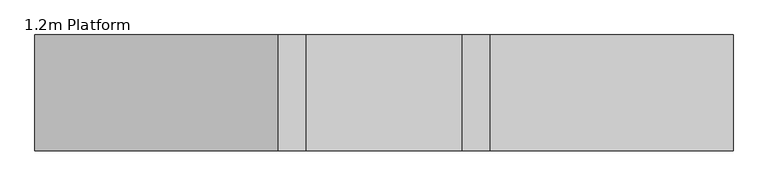
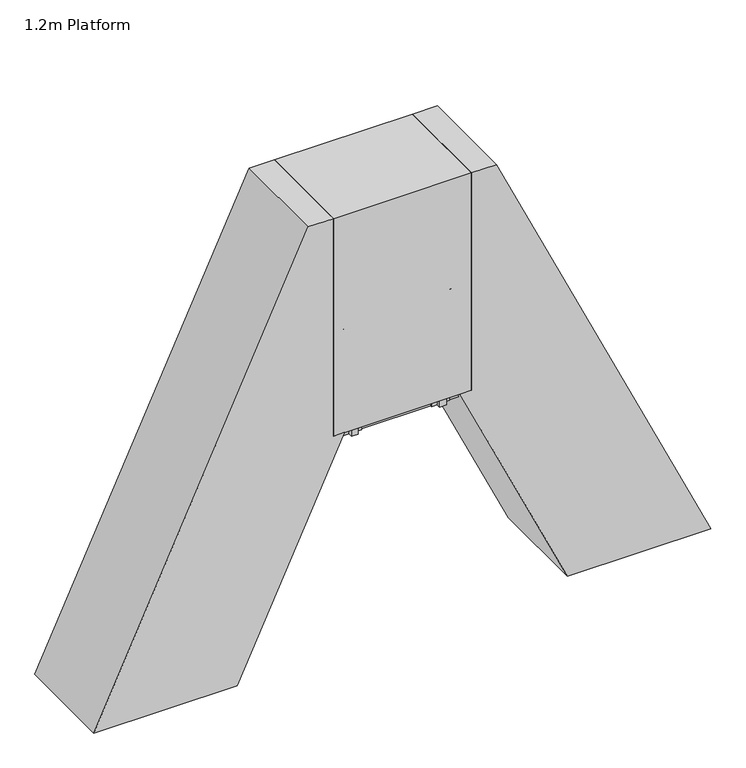
"""IFC4 building model written with IfcOpenShell, lengths in millimetres: proxy geometry, 1.2m Platform."""

from ifc_helpers import new_model, si_unit, point, frame, frame_2d, origin, origin_with_axes, place, context, project, spatial, polyline, circle_curve, ellipse_curve, trimmed, segment, composite_curve, outline, extrude, source, transform, mapped, element, save
from ifc_brep_helpers import plane_surface, cylinder_surface, advanced_brep


def proxy_1_2m_platform_b5f28fa6(model_context):
    return source(origin(), model_context, "Body", "SolidModel", [
        extrude(outline(polyline([(1750.0, 262.6767824), (1750.0, 152.3389904), (1670.0, 115.0343777), (1670.0, 225.3721748), (1750.0, 262.6767824)])), frame((0.0, -304.5, 0.0), z_axis=(0.0, 1.0, 0.0), x_axis=(0.0, 0.0, 1.0)), (0.0, 0.0, 1.0), 6.0),
        extrude(outline(polyline([(1750.0, 262.6767824), (1750.0, 152.3389904), (1670.0, 115.0343777), (1670.0, 225.3721748), (1750.0, 262.6767824)])), frame((0.0, 298.5, 0.0), z_axis=(0.0, 1.0, 0.0), x_axis=(0.0, 0.0, 1.0)), (0.0, 0.0, 1.0), 6.0),
        extrude(outline(polyline([(1750.0, 255.5048261), (1750.0, 235.2429206), (1749.2749538, 234.9048261), (1750.0, 234.5667315), (1750.0, 214.6429206), (1749.2749538, 214.3048261), (1750.0, 213.9667315), (1750.0, 194.0429206), (1749.2749538, 193.7048261), (1750.0, 193.3667315), (1750.0, 173.4429206), (1749.2749538, 173.1048261), (1750.0, 172.7667315), (1750.0, 152.3389904), (1712.0999991, 134.6659297), (1712.0999991, 136.8726855), (1747.0, 153.1468232), (1747.0, 251.8991475), (1712.0999991, 235.625012), (1712.0999991, 237.8317678), (1750.0, 255.5048261)])), frame((0.0, -298.5, 0.0), z_axis=(0.0, 1.0, 0.0), x_axis=(0.0, 0.0, 1.0)), (0.0, 0.0, 1.0), 597.0),
        extrude(outline(polyline([(1500.0, 146.0952949), (1500.0, 35.7575029), (1420.0, -1.5471097), (1420.0, 108.7906873), (1500.0, 146.0952949)])), frame((0.0, -304.5, 0.0), z_axis=(0.0, 1.0, 0.0), x_axis=(0.0, 0.0, 1.0)), (0.0, 0.0, 1.0), 6.0),
        extrude(outline(polyline([(1500.0, 146.0952949), (1500.0, 35.7575029), (1420.0, -1.5471097), (1420.0, 108.7906873), (1500.0, 146.0952949)])), frame((0.0, 298.5, 0.0), z_axis=(0.0, 1.0, 0.0), x_axis=(0.0, 0.0, 1.0)), (0.0, 0.0, 1.0), 6.0),
        extrude(outline(polyline([(1500.0, 138.9233386), (1500.0, 118.6614332), (1499.2749538, 118.3233386), (1500.0, 117.9852441), (1500.0, 98.0614332), (1499.2749538, 97.7233386), (1500.0, 97.3852441), (1500.0, 77.4614332), (1499.2749538, 77.1233386), (1500.0, 76.7852441), (1500.0, 56.8614332), (1499.2749538, 56.5233386), (1500.0, 56.1852441), (1500.0, 35.7575029), (1462.0999991, 18.0844423), (1462.0999991, 20.2911981), (1497.0, 36.5653358), (1497.0, 135.3176601), (1462.0999991, 119.0435246), (1462.0999991, 121.2502804), (1500.0, 138.9233386)])), frame((0.0, -298.5, 0.0), z_axis=(0.0, 1.0, 0.0), x_axis=(0.0, 0.0, 1.0)), (0.0, 0.0, 1.0), 597.0),
        extrude(outline(polyline([(1250.0, 29.5138075), (1250.0, -80.8239845), (1170.0, -118.1285972), (1170.0, -7.7908001), (1250.0, 29.5138075)])), frame((0.0, -304.5, 0.0), z_axis=(0.0, 1.0, 0.0), x_axis=(0.0, 0.0, 1.0)), (0.0, 0.0, 1.0), 6.0),
        extrude(outline(polyline([(1250.0, 29.5138075), (1250.0, -80.8239845), (1170.0, -118.1285972), (1170.0, -7.7908001), (1250.0, 29.5138075)])), frame((0.0, 298.5, 0.0), z_axis=(0.0, 1.0, 0.0), x_axis=(0.0, 0.0, 1.0)), (0.0, 0.0, 1.0), 6.0),
        extrude(outline(polyline([(1250.0, 22.3418512), (1250.0, 2.0799458), (1249.2749538, 1.7418512), (1250.0, 1.4037566), (1250.0, -18.5200542), (1249.2749538, -18.8581488), (1250.0, -19.1962434), (1250.0, -39.1200542), (1249.2749538, -39.4581488), (1250.0, -39.7962434), (1250.0, -59.7200542), (1249.2749538, -60.0581488), (1250.0, -60.3962434), (1250.0, -80.8239845), (1212.0999991, -98.4970451), (1212.0999991, -96.2902893), (1247.0, -80.0161516), (1247.0, 18.7361726), (1212.0999991, 2.4620372), (1212.0999991, 4.668793), (1250.0, 22.3418512)])), frame((0.0, -298.5, 0.0), z_axis=(0.0, 1.0, 0.0), x_axis=(0.0, 0.0, 1.0)), (0.0, 0.0, 1.0), 597.0),
        extrude(outline(polyline([(1000.0, -87.0676799), (1000.0, -197.4054719), (920.0, -234.7100846), (920.0, -124.3722875), (1000.0, -87.0676799)])), frame((0.0, -304.5, 0.0), z_axis=(0.0, 1.0, 0.0), x_axis=(0.0, 0.0, 1.0)), (0.0, 0.0, 1.0), 6.0),
        extrude(outline(polyline([(1000.0, -87.0676799), (1000.0, -197.4054719), (920.0, -234.7100846), (920.0, -124.3722875), (1000.0, -87.0676799)])), frame((0.0, 298.5, 0.0), z_axis=(0.0, 1.0, 0.0), x_axis=(0.0, 0.0, 1.0)), (0.0, 0.0, 1.0), 6.0),
        extrude(outline(polyline([(1000.0, -94.2396362), (1000.0, -114.5015416), (999.2749538, -114.8396362), (1000.0, -115.1777308), (1000.0, -135.1015416), (999.2749538, -135.4396362), (1000.0, -135.7777308), (1000.0, -155.7015416), (999.2749538, -156.0396362), (1000.0, -156.3777308), (1000.0, -176.3015416), (999.2749538, -176.6396362), (1000.0, -176.9777308), (1000.0, -197.4054719), (962.0999991, -215.0785326), (962.0999991, -212.8717767), (997.0, -196.5976391), (997.0, -97.8453148), (962.0999991, -114.1194502), (962.0999991, -111.9126945), (1000.0, -94.2396362)])), frame((0.0, -298.5, 0.0), z_axis=(0.0, 1.0, 0.0), x_axis=(0.0, 0.0, 1.0)), (0.0, 0.0, 1.0), 597.0),
        extrude(outline(polyline([(750.0, -203.6491673), (750.0, -313.9869594), (670.0, -351.291572), (670.0, -240.9537749), (750.0, -203.6491673)])), frame((0.0, -304.5, 0.0), z_axis=(0.0, 1.0, 0.0), x_axis=(0.0, 0.0, 1.0)), (0.0, 0.0, 1.0), 6.0),
        extrude(outline(polyline([(750.0, -203.6491673), (750.0, -313.9869594), (670.0, -351.291572), (670.0, -240.9537749), (750.0, -203.6491673)])), frame((0.0, 298.5, 0.0), z_axis=(0.0, 1.0, 0.0), x_axis=(0.0, 0.0, 1.0)), (0.0, 0.0, 1.0), 6.0),
        extrude(outline(polyline([(750.0, -210.8211236), (750.0, -231.0830291), (749.2749538, -231.4211236), (750.0, -231.7592182), (750.0, -251.6830291), (749.2749538, -252.0211236), (750.0, -252.3592182), (750.0, -272.2830291), (749.2749538, -272.6211236), (750.0, -272.9592182), (750.0, -292.8830291), (749.2749538, -293.2211236), (750.0, -293.5592182), (750.0, -313.9869594), (712.0999991, -331.66002), (712.0999991, -329.4532642), (747.0, -313.1791265), (747.0, -214.4268022), (712.0999991, -230.7009377), (712.0999991, -228.4941819), (750.0, -210.8211236)])), frame((0.0, -298.5, 0.0), z_axis=(0.0, 1.0, 0.0), x_axis=(0.0, 0.0, 1.0)), (0.0, 0.0, 1.0), 597.0),
        extrude(outline(polyline([(500.0, -320.2306548), (500.0, -430.5684468), (420.0, -467.8730594), (420.0, -357.5352624), (500.0, -320.2306548)])), frame((0.0, -304.5, 0.0), z_axis=(0.0, 1.0, 0.0), x_axis=(0.0, 0.0, 1.0)), (0.0, 0.0, 1.0), 6.0),
        extrude(outline(polyline([(500.0, -320.2306548), (500.0, -430.5684468), (420.0, -467.8730594), (420.0, -357.5352624), (500.0, -320.2306548)])), frame((0.0, 298.5, 0.0), z_axis=(0.0, 1.0, 0.0), x_axis=(0.0, 0.0, 1.0)), (0.0, 0.0, 1.0), 6.0),
        extrude(outline(polyline([(500.0, -327.4026111), (500.0, -347.6645165), (499.2749538, -348.0026111), (500.0, -348.3407056), (500.0, -368.2645165), (499.2749538, -368.6026111), (500.0, -368.9407056), (500.0, -388.8645165), (499.2749538, -389.2026111), (500.0, -389.5407056), (500.0, -409.4645165), (499.2749538, -409.8026111), (500.0, -410.1407056), (500.0, -430.5684468), (462.0999991, -448.2415074), (462.0999991, -446.0347516), (497.0, -429.7606139), (497.0, -331.0082896), (462.0999991, -347.2824251), (462.0999991, -345.0756693), (500.0, -327.4026111)])), frame((0.0, -298.5, 0.0), z_axis=(0.0, 1.0, 0.0), x_axis=(0.0, 0.0, 1.0)), (0.0, 0.0, 1.0), 597.0),
        extrude(outline(polyline([(-0.0541093, 0.0), (0.7582532, 5.9447512), (185.4590013, 5.9447512), (254.8144324, -3.5328109), (254.0020699, -9.4775622), (184.6466388, 0.0), (-0.0541093, 0.0)])), frame((-354.795957, -375.0, 1079.978918), z_axis=(0.4226302122585525, 0.0, 0.9063022143227341), x_axis=(0.897956867570804, 0.13539374535780344, -0.4187385791880372)), (0.0, 0.0, 1.0), 80.0),
        extrude(outline(polyline([(-0.0541093, 0.0), (0.7582532, 5.9447512), (185.4590013, 5.9447512), (254.8144324, -3.5328109), (254.0020699, -9.4775622), (184.6466388, 0.0), (-0.0541093, 0.0)])), frame((6.4356149, -375.0, 1854.615856), z_axis=(0.4226302122585525, 0.0, 0.9063022143227341), x_axis=(0.897956867570804, 0.13539374535780344, -0.4187385791880372)), (0.0, 0.0, 1.0), 80.0),
        extrude(outline(polyline([(0.0, 32.0), (2.9999999, 32.0), (2.9999999, 0.0), (0.0, 0.0), (0.0, 32.0)])), frame((-370.2423578, -388.0, 1054.0803998), z_axis=(0.4226302122585525, 0.0, 0.9063022143227341), x_axis=(0.9063022143227341, 0.0, -0.4226302122585525)), (0.0, 0.0, 1.0), 140.0),
        extrude(outline(polyline([(0.0, 32.0), (2.9999999, 32.0), (2.9999999, 0.0), (0.0, 0.0), (0.0, 32.0)])), frame((-9.0107859, -388.0, 1828.7173378), z_axis=(0.4226302122585525, 0.0, 0.9063022143227341), x_axis=(0.9063022143227341, 0.0, -0.4226302122585525)), (0.0, 0.0, 1.0), 140.0),
        extrude(outline(composite_curve([segment(trimmed(circle_curve(frame_2d((0.0, 14.189404)), 22.4521533), [point((-17.4, 0.0))], [point((17.4, 0.0))], False, "CARTESIAN"), True, "CONTINUOUS"), segment(polyline([(17.4, 0.0), (-17.4, 0.0)]), True, "CONTINUOUS")], self_intersect=False)), frame((-442.0894939, -372.0, 900.0090234), z_axis=(0.4226302122585525, 0.0, 0.9063022143227341), x_axis=(0.0, 1.0, 0.0)), (0.0, 0.0, 1.0), 2184.7225481),
        extrude(outline(polyline([(-0.0541093, 0.0), (184.6466388, 0.0), (254.0020699, 9.4775622), (254.8144324, 3.5328109), (185.4590013, -5.9447512), (0.7582532, -5.9447512), (-0.0541093, 0.0)])), frame((-354.7949657, 375.0, 1079.981044), z_axis=(0.4226302122585526, 0.0, 0.9063022143227341), x_axis=(0.8979568675708031, -0.13539374535780926, -0.4187385791880372)), (0.0, 0.0, 1.0), 80.0),
        extrude(outline(polyline([(-0.0541093, 0.0), (184.6466389, 0.0), (254.00207, 9.4775622), (254.8144324, 3.532811), (185.4590014, -5.9447512), (0.7582532, -5.9447512), (-0.0541093, 0.0)])), frame((6.4366062, 375.0, 1854.617982), z_axis=(0.4226302122585526, 0.0, 0.9063022143227341), x_axis=(0.8979568675708031, -0.13539374535780926, -0.4187385791880372)), (0.0, 0.0, 1.0), 80.0),
        extrude(outline(polyline([(0.0, -32.0), (0.0, 0.0), (2.9999999, 0.0), (2.9999999, -32.0), (0.0, -32.0)])), frame((-370.2413665, 388.0, 1054.0825258), z_axis=(0.4226302122585525, 0.0, 0.9063022143227341), x_axis=(0.9063022143227341, 0.0, -0.4226302122585525)), (0.0, 0.0, 1.0), 140.0),
        extrude(outline(polyline([(0.0, -32.0), (0.0, 0.0), (3.0, 0.0), (3.0, -32.0), (0.0, -32.0)])), frame((-9.0097946, 388.0, 1828.7194638), z_axis=(0.4226302122585525, 0.0, 0.9063022143227341), x_axis=(0.9063022143227341, 0.0, -0.4226302122585525)), (0.0, 0.0, 1.0), 140.0),
        extrude(outline(composite_curve([segment(polyline([(-17.4, 0.0), (17.4, 0.0)]), True, "CONTINUOUS"), segment(trimmed(circle_curve(frame_2d((0.0, -14.189404)), 22.4521533), [point((17.4, 0.0))], [point((-17.4, 0.0))], False, "CARTESIAN"), True, "CONTINUOUS")], self_intersect=False)), frame((-442.0885026, 372.0, 900.0111494), z_axis=(0.4226302122585525, 0.0, 0.9063022143227341), x_axis=(0.0, -1.0, 0.0)), (0.0, 0.0, 1.0), 2184.7225481),
        extrude(outline(polyline([(2000.0, 379.2582698), (2000.0, 268.9204778), (1920.0, 231.6158651), (1920.0, 341.9536622), (2000.0, 379.2582698)])), frame((0.0, -304.5, 0.0), z_axis=(0.0, 1.0, 0.0), x_axis=(0.0, 0.0, 1.0)), (0.0, 0.0, 1.0), 6.0),
        extrude(outline(polyline([(2000.0, 379.2582698), (2000.0, 268.9204778), (1920.0, 231.6158651), (1920.0, 341.9536622), (2000.0, 379.2582698)])), frame((0.0, 298.5, 0.0), z_axis=(0.0, 1.0, 0.0), x_axis=(0.0, 0.0, 1.0)), (0.0, 0.0, 1.0), 6.0),
        extrude(outline(polyline([(2000.0, 372.0863135), (2000.0, 351.8244081), (1999.2749538, 351.4863135), (2000.0, 351.1482189), (2000.0, 331.2244081), (1999.2749538, 330.8863135), (2000.0, 330.5482189), (2000.0, 310.6244081), (1999.2749538, 310.2863135), (2000.0, 309.9482189), (2000.0, 290.0244081), (1999.2749538, 289.6863135), (2000.0, 289.3482189), (2000.0, 268.9204778), (1962.0999991, 251.2474171), (1962.0999991, 253.454173), (1997.0, 269.7283106), (1997.0, 368.4806349), (1962.0999991, 352.2064995), (1962.0999991, 354.4132553), (2000.0, 372.0863135)])), frame((0.0, -298.5, 0.0), z_axis=(0.0, 1.0, 0.0), x_axis=(0.0, 0.0, 1.0)), (0.0, 0.0, 1.0), 597.0),
        extrude(outline(polyline([(250.0, -436.8121422), (250.0, -547.1499342), (170.0, -584.4545469), (170.0, -474.1167498), (250.0, -436.8121422)])), frame((0.0, -304.5, 0.0), z_axis=(0.0, 1.0, 0.0), x_axis=(0.0, 0.0, 1.0)), (0.0, 0.0, 1.0), 6.0),
        extrude(outline(polyline([(250.0, -436.8121422), (250.0, -547.1499342), (170.0, -584.4545469), (170.0, -474.1167498), (250.0, -436.8121422)])), frame((0.0, 298.5, 0.0), z_axis=(0.0, 1.0, 0.0), x_axis=(0.0, 0.0, 1.0)), (0.0, 0.0, 1.0), 6.0),
        extrude(outline(polyline([(250.0, -443.9840985), (250.0, -464.2460039), (249.2749538, -464.5840985), (250.0, -464.9221931), (250.0, -484.8460039), (249.2749538, -485.1840985), (250.0, -485.5221931), (250.0, -505.4460039), (249.2749538, -505.7840985), (250.0, -506.1221931), (250.0, -526.0460039), (249.2749538, -526.3840985), (250.0, -526.7221931), (250.0, -547.1499342), (212.0999991, -564.8229949), (212.0999991, -562.616239), (247.0, -546.3421014), (247.0, -447.5897771), (212.0999991, -463.8639125), (212.0999991, -461.6571567), (250.0, -443.9840985)])), frame((0.0, -298.5, 0.0), z_axis=(0.0, 1.0, 0.0), x_axis=(0.0, 0.0, 1.0)), (0.0, 0.0, 1.0), 597.0),
        advanced_brep(
        [(532.0863135, -372.0, 2942.0), (532.0863135, -372.0, 2987.0), (519.3551755, -372.0, 2942.0), (490.687222, -372.0, 2987.0), (488.8104548, -372.0, 2876.4977609), (448.0267296, -372.0, 2895.5158512)],
        [
            (0, 1, circle_curve(frame((532.0863135, -372.0, 2964.5), z_axis=(1.0, 0.0, 0.0), x_axis=(0.0, 0.0, 1.0)), 22.5)),
            (1, 0, circle_curve(frame((532.0863135, -372.0, 2964.5), z_axis=(1.0, 0.0, 0.0), x_axis=(0.0, 0.0, 1.0)), 22.5)),
            (0, 2),
            (2, 3, ellipse_curve(frame((505.0211988, -372.0, 2964.5), z_axis=(0.8433932143582125, 0.0, 0.5372968322766498), x_axis=(0.5372968322766497, 0.0, -0.8433932143582125)), 26.6779476, 22.5)),
            (3, 1),
            (3, 2, ellipse_curve(frame((505.0211988, -372.0, 2964.5), z_axis=(0.8433932143582125, 0.0, 0.5372968322766498), x_axis=(0.5372968322766497, 0.0, -0.8433932143582125)), 26.6779476, 22.5)),
            (4, 5, circle_curve(frame((468.4185922, -372.0, 2886.0068061), z_axis=(-0.42262422805095523, 0.0, -0.9063050048765781), x_axis=(-0.9063050048765781, 0.0, 0.42262422805095523)), 22.5)),
            (5, 4, circle_curve(frame((468.4185922, -372.0, 2886.0068061), z_axis=(-0.42262422805095523, 0.0, -0.9063050048765781), x_axis=(-0.9063050048765781, 0.0, 0.42262422805095523)), 22.5)),
            (2, 4),
            (5, 3),
        ],
        [
            plane_surface(frame((532.0863135, 0.0, 2987.0), z_axis=(1.0, 0.0, 0.0), x_axis=(0.0, 1.0, 0.0))),
            cylinder_surface(frame((532.0863135, -372.0, 2964.5), z_axis=(1.0, 0.0, 0.0), x_axis=(0.0, 0.0, 1.0)), 22.5),
            plane_surface(frame((448.0267296, 0.0, 2895.5158512), z_axis=(-0.42262422805095523, 0.0, -0.9063050048765781), x_axis=(0.0, 1.0, 0.0))),
            cylinder_surface(frame((511.0790846, -372.0, 2977.4909549), z_axis=(0.42262422805095523, 0.0, 0.9063050048765781), x_axis=(-0.9063050048765781, 0.0, 0.42262422805095523)), 22.5),
        ],
        [
            (0, [[1, 2]]),
            (1, [[-1, 3, 4, 5]]),
            (1, [[-2, -5, 6, -3]]),
            (2, [[7, 8]]),
            (3, [[-4, 9, -8, 10]]),
            (3, [[-6, -10, -7, -9]]),
        ],
    ),
        advanced_brep(
        [(532.0863135, 372.0, 2942.0), (532.0863135, 372.0, 2987.0), (519.3551755, 372.0, 2942.0), (490.687222, 372.0, 2987.0), (488.8104548, 372.0, 2876.4977609), (448.0267296, 372.0, 2895.5158512)],
        [
            (0, 1, circle_curve(frame((532.0863135, 372.0, 2964.5), z_axis=(1.0, 0.0, 0.0), x_axis=(0.0, 0.0, 1.0)), 22.5)),
            (1, 0, circle_curve(frame((532.0863135, 372.0, 2964.5), z_axis=(1.0, 0.0, 0.0), x_axis=(0.0, 0.0, 1.0)), 22.5)),
            (0, 2),
            (2, 3, ellipse_curve(frame((505.0211988, 372.0, 2964.5), z_axis=(0.8433932143582125, 0.0, 0.5372968322766498), x_axis=(0.5372968322766497, 0.0, -0.8433932143582125)), 26.6779476, 22.5)),
            (3, 1),
            (3, 2, ellipse_curve(frame((505.0211988, 372.0, 2964.5), z_axis=(0.8433932143582125, 0.0, 0.5372968322766498), x_axis=(0.5372968322766497, 0.0, -0.8433932143582125)), 26.6779476, 22.5)),
            (4, 5, circle_curve(frame((468.4185922, 372.0, 2886.0068061), z_axis=(-0.42262422805095523, 0.0, -0.9063050048765781), x_axis=(-0.9063050048765781, 0.0, 0.42262422805095523)), 22.5)),
            (5, 4, circle_curve(frame((468.4185922, 372.0, 2886.0068061), z_axis=(-0.42262422805095523, 0.0, -0.9063050048765781), x_axis=(-0.9063050048765781, 0.0, 0.42262422805095523)), 22.5)),
            (2, 4),
            (5, 3),
        ],
        [
            plane_surface(frame((532.0863135, 0.0, 2987.0), z_axis=(1.0, 0.0, 0.0), x_axis=(0.0, 1.0, 0.0))),
            cylinder_surface(frame((532.0863135, 372.0, 2964.5), z_axis=(1.0, 0.0, 0.0), x_axis=(0.0, 0.0, 1.0)), 22.5),
            plane_surface(frame((448.0267296, 0.0, 2895.5158512), z_axis=(-0.42262422805095523, 0.0, -0.9063050048765781), x_axis=(0.0, 1.0, 0.0))),
            cylinder_surface(frame((511.0790846, 372.0, 2977.4909549), z_axis=(0.42262422805095523, 0.0, 0.9063050048765781), x_axis=(-0.9063050048765781, 0.0, 0.42262422805095523)), 22.5),
        ],
        [
            (0, [[1, 2]]),
            (1, [[-1, 3, 4, 5]]),
            (1, [[-2, -5, 6, -3]]),
            (2, [[7, 8]]),
            (3, [[-4, 9, -8, 10]]),
            (3, [[-6, -10, -7, -9]]),
        ],
    ),
        extrude(outline(polyline([(-304.5, 80.0), (-304.5, 0.0), (-343.0, 0.0), (-343.0, 80.0), (-304.5, 80.0)])), frame((-572.6587693, 0.0, 6.0), z_axis=(0.4226182617406975, 0.0, 0.9063077870366509), x_axis=(0.0, 1.0, 0.0)), (0.0, 0.0, 1.0), 2200.1355704),
        extrude(outline(polyline([(343.0, 80.0), (343.0, 0.0), (304.5, 0.0), (304.5, 80.0), (343.0, 80.0)])), frame((-572.6587693, 0.0, 6.0), z_axis=(0.4226182617406975, 0.0, 0.9063077870366509), x_axis=(0.0, 1.0, 0.0)), (0.0, 0.0, 1.0), 2200.1355704),
        extrude(outline(polyline([(141.9461681, -597.5362635), (6.0, -660.9290028), (6.0, -572.6587693), (108.1367071, -525.0316406), (141.9461681, -597.5362635)])), frame((0.0, -350.0, 0.0), z_axis=(0.0, 1.0, 0.0), x_axis=(0.0, 0.0, 1.0)), (0.0, 0.0, 1.0), 6.0),
        extrude(outline(polyline([(141.9461681, -597.5362635), (6.0, -660.9290028), (6.0, -572.6587693), (108.1367071, -525.0316406), (141.9461681, -597.5362635)])), frame((0.0, 344.0, 0.0), z_axis=(0.0, 1.0, 0.0), x_axis=(0.0, 0.0, 1.0)), (0.0, 0.0, 1.0), 6.0),
        extrude(outline(polyline([(-666.8290028, -358.0), (-666.8290028, 358.0), (-566.8290028, 358.0), (-566.8290028, -358.0), (-666.8290028, -358.0)])), origin_with_axes(), (0.0, 0.0, 1.0), 6.0),
        extrude(outline(polyline([(2000.0, 468.9194894), (2000.0, 372.0863135), (4000.0, 372.0863135), (4000.0, 153.3518896), (0.0, -1711.9429561), (0.0, -463.7279335), (2000.0, 468.9194894)])), frame((0.0, -444.5, 0.0), z_axis=(0.0, 1.0, 0.0), x_axis=(0.0, 0.0, 1.0)), (0.0, 0.0, 1.0), 889.0),
        extrude(outline(polyline([(1750.0, 1681.4958446), (1670.0, 1718.8004522), (1670.0, 1829.1382493), (1750.0, 1791.8336367), (1750.0, 1681.4958446)])), frame((0.0, 298.5, 0.0), z_axis=(0.0, 1.0, 0.0), x_axis=(0.0, 0.0, 1.0)), (0.0, 0.0, 1.0), 6.0),
        extrude(outline(polyline([(1750.0, 1681.4958446), (1670.0, 1718.8004522), (1670.0, 1829.1382493), (1750.0, 1791.8336367), (1750.0, 1681.4958446)])), frame((0.0, -304.5, 0.0), z_axis=(0.0, 1.0, 0.0), x_axis=(0.0, 0.0, 1.0)), (0.0, 0.0, 1.0), 6.0),
        extrude(outline(polyline([(1750.0, 1688.6678009), (1712.0999991, 1706.3408592), (1712.0999991, 1708.547615), (1747.0, 1692.2734795), (1747.0, 1791.0258038), (1712.0999991, 1807.2999415), (1712.0999991, 1809.5066973), (1750.0, 1791.8336367), (1750.0, 1771.4058955), (1749.2749538, 1771.0678009), (1750.0, 1770.7297064), (1750.0, 1750.8058955), (1749.2749538, 1750.4678009), (1750.0, 1750.1297064), (1750.0, 1730.2058955), (1749.2749538, 1729.8678009), (1750.0, 1729.5297064), (1750.0, 1709.6058955), (1749.2749538, 1709.2678009), (1750.0, 1708.9297064), (1750.0, 1688.6678009)])), frame((0.0, -298.5, 0.0), z_axis=(0.0, 1.0, 0.0), x_axis=(0.0, 0.0, 1.0)), (0.0, 0.0, 1.0), 597.0),
        extrude(outline(polyline([(1500.0, 1798.0773321), (1420.0, 1835.3819397), (1420.0, 1945.7197367), (1500.0, 1908.4151241), (1500.0, 1798.0773321)])), frame((0.0, 298.5, 0.0), z_axis=(0.0, 1.0, 0.0), x_axis=(0.0, 0.0, 1.0)), (0.0, 0.0, 1.0), 6.0),
        extrude(outline(polyline([(1500.0, 1798.0773321), (1420.0, 1835.3819397), (1420.0, 1945.7197367), (1500.0, 1908.4151241), (1500.0, 1798.0773321)])), frame((0.0, -304.5, 0.0), z_axis=(0.0, 1.0, 0.0), x_axis=(0.0, 0.0, 1.0)), (0.0, 0.0, 1.0), 6.0),
        extrude(outline(polyline([(1500.0, 1805.2492884), (1462.0999991, 1822.9223466), (1462.0999991, 1825.1291024), (1497.0, 1808.8549669), (1497.0, 1907.6072912), (1462.0999991, 1923.8814289), (1462.0999991, 1926.0881847), (1500.0, 1908.4151241), (1500.0, 1887.9873829), (1499.2749538, 1887.6492884), (1500.0, 1887.3111938), (1500.0, 1867.3873829), (1499.2749538, 1867.0492884), (1500.0, 1866.7111938), (1500.0, 1846.7873829), (1499.2749538, 1846.4492884), (1500.0, 1846.1111938), (1500.0, 1826.1873829), (1499.2749538, 1825.8492884), (1500.0, 1825.5111938), (1500.0, 1805.2492884)])), frame((0.0, -298.5, 0.0), z_axis=(0.0, 1.0, 0.0), x_axis=(0.0, 0.0, 1.0)), (0.0, 0.0, 1.0), 597.0),
        extrude(outline(polyline([(1250.0, 1914.6588195), (1170.0, 1951.9634271), (1170.0, 2062.3012242), (1250.0, 2024.9966115), (1250.0, 1914.6588195)])), frame((0.0, 298.5, 0.0), z_axis=(0.0, 1.0, 0.0), x_axis=(0.0, 0.0, 1.0)), (0.0, 0.0, 1.0), 6.0),
        extrude(outline(polyline([(1250.0, 1914.6588195), (1170.0, 1951.9634271), (1170.0, 2062.3012242), (1250.0, 2024.9966115), (1250.0, 1914.6588195)])), frame((0.0, -304.5, 0.0), z_axis=(0.0, 1.0, 0.0), x_axis=(0.0, 0.0, 1.0)), (0.0, 0.0, 1.0), 6.0),
        extrude(outline(polyline([(1250.0, 1921.8307758), (1212.0999991, 1939.503834), (1212.0999991, 1941.7105898), (1247.0, 1925.4364544), (1247.0, 2024.1887786), (1212.0999991, 2040.4629163), (1212.0999991, 2042.6696722), (1250.0, 2024.9966115), (1250.0, 2004.5688704), (1249.2749538, 2004.2307758), (1250.0, 2003.8926812), (1250.0, 1983.9688704), (1249.2749538, 1983.6307758), (1250.0, 1983.2926812), (1250.0, 1963.3688704), (1249.2749538, 1963.0307758), (1250.0, 1962.6926812), (1250.0, 1942.7688704), (1249.2749538, 1942.4307758), (1250.0, 1942.0926812), (1250.0, 1921.8307758)])), frame((0.0, -298.5, 0.0), z_axis=(0.0, 1.0, 0.0), x_axis=(0.0, 0.0, 1.0)), (0.0, 0.0, 1.0), 597.0),
        extrude(outline(polyline([(1000.0, 2031.2403069), (920.0, 2068.5449145), (920.0, 2178.8827116), (1000.0, 2141.5780989), (1000.0, 2031.2403069)])), frame((0.0, 298.5, 0.0), z_axis=(0.0, 1.0, 0.0), x_axis=(0.0, 0.0, 1.0)), (0.0, 0.0, 1.0), 6.0),
        extrude(outline(polyline([(1000.0, 2031.2403069), (920.0, 2068.5449145), (920.0, 2178.8827116), (1000.0, 2141.5780989), (1000.0, 2031.2403069)])), frame((0.0, -304.5, 0.0), z_axis=(0.0, 1.0, 0.0), x_axis=(0.0, 0.0, 1.0)), (0.0, 0.0, 1.0), 6.0),
        extrude(outline(polyline([(1000.0, 2038.4122632), (962.0999991, 2056.0853215), (962.0999991, 2058.2920772), (997.0, 2042.0179418), (997.0, 2140.7702661), (962.0999991, 2157.0444037), (962.0999991, 2159.2511596), (1000.0, 2141.5780989), (1000.0, 2121.1503578), (999.2749538, 2120.8122632), (1000.0, 2120.4741686), (1000.0, 2100.5503578), (999.2749538, 2100.2122632), (1000.0, 2099.8741686), (1000.0, 2079.9503578), (999.2749538, 2079.6122632), (1000.0, 2079.2741686), (1000.0, 2059.3503578), (999.2749538, 2059.0122632), (1000.0, 2058.6741686), (1000.0, 2038.4122632)])), frame((0.0, -298.5, 0.0), z_axis=(0.0, 1.0, 0.0), x_axis=(0.0, 0.0, 1.0)), (0.0, 0.0, 1.0), 597.0),
        extrude(outline(polyline([(750.0, 2147.8217943), (670.0, 2185.1264019), (670.0, 2295.464199), (750.0, 2258.1595864), (750.0, 2147.8217943)])), frame((0.0, 298.5, 0.0), z_axis=(0.0, 1.0, 0.0), x_axis=(0.0, 0.0, 1.0)), (0.0, 0.0, 1.0), 6.0),
        extrude(outline(polyline([(750.0, 2147.8217943), (670.0, 2185.1264019), (670.0, 2295.464199), (750.0, 2258.1595864), (750.0, 2147.8217943)])), frame((0.0, -304.5, 0.0), z_axis=(0.0, 1.0, 0.0), x_axis=(0.0, 0.0, 1.0)), (0.0, 0.0, 1.0), 6.0),
        extrude(outline(polyline([(750.0, 2154.9937506), (712.0999991, 2172.6668089), (712.0999991, 2174.8735647), (747.0, 2158.5994292), (747.0, 2257.3517535), (712.0999991, 2273.6258912), (712.0999991, 2275.832647), (750.0, 2258.1595864), (750.0, 2237.7318452), (749.2749538, 2237.3937506), (750.0, 2237.0556561), (750.0, 2217.1318452), (749.2749538, 2216.7937506), (750.0, 2216.4556561), (750.0, 2196.5318452), (749.2749538, 2196.1937506), (750.0, 2195.8556561), (750.0, 2175.9318452), (749.2749538, 2175.5937506), (750.0, 2175.2556561), (750.0, 2154.9937506)])), frame((0.0, -298.5, 0.0), z_axis=(0.0, 1.0, 0.0), x_axis=(0.0, 0.0, 1.0)), (0.0, 0.0, 1.0), 597.0),
        extrude(outline(polyline([(500.0, 2264.4032818), (420.0, 2301.7078894), (420.0, 2412.0456864), (500.0, 2374.7410738), (500.0, 2264.4032818)])), frame((0.0, 298.5, 0.0), z_axis=(0.0, 1.0, 0.0), x_axis=(0.0, 0.0, 1.0)), (0.0, 0.0, 1.0), 6.0),
        extrude(outline(polyline([(500.0, 2264.4032818), (420.0, 2301.7078894), (420.0, 2412.0456864), (500.0, 2374.7410738), (500.0, 2264.4032818)])), frame((0.0, -304.5, 0.0), z_axis=(0.0, 1.0, 0.0), x_axis=(0.0, 0.0, 1.0)), (0.0, 0.0, 1.0), 6.0),
        extrude(outline(polyline([(500.0, 2271.5752381), (462.0999991, 2289.2482963), (462.0999991, 2291.4550521), (497.0, 2275.1809166), (497.0, 2373.9332409), (462.0999991, 2390.2073786), (462.0999991, 2392.4141344), (500.0, 2374.7410738), (500.0, 2354.3133326), (499.2749538, 2353.9752381), (500.0, 2353.6371435), (500.0, 2333.7133326), (499.2749538, 2333.3752381), (500.0, 2333.0371435), (500.0, 2313.1133326), (499.2749538, 2312.7752381), (500.0, 2312.4371435), (500.0, 2292.5133326), (499.2749538, 2292.1752381), (500.0, 2291.8371435), (500.0, 2271.5752381)])), frame((0.0, -298.5, 0.0), z_axis=(0.0, 1.0, 0.0), x_axis=(0.0, 0.0, 1.0)), (0.0, 0.0, 1.0), 597.0),
        extrude(outline(polyline([(-0.0541093, 0.0), (0.7582532, 5.9447512), (185.4590013, 5.9447512), (254.8144324, -3.5328109), (254.0020699, -9.4775622), (184.6466388, 0.0), (-0.0541093, 0.0)])), frame((2298.968584, 375.0, 1079.978918), z_axis=(-0.42263021225855246, 0.0, 0.906302214322734), x_axis=(-0.8979568675708035, -0.13539374535780635, -0.4187385791880372)), (0.0, 0.0, 1.0), 80.0),
        extrude(outline(polyline([(-0.0541093, 0.0), (0.7582532, 5.9447512), (185.4590013, 5.9447512), (254.8144324, -3.5328109), (254.0020699, -9.4775622), (184.6466388, 0.0), (-0.0541093, 0.0)])), frame((1937.7370121, 375.0, 1854.615856), z_axis=(-0.42263021225855246, 0.0, 0.906302214322734), x_axis=(-0.8979568675708035, -0.13539374535780635, -0.4187385791880372)), (0.0, 0.0, 1.0), 80.0),
        extrude(outline(polyline([(0.0, 32.0), (2.9999999, 32.0), (2.9999999, 0.0), (0.0, 0.0), (0.0, 32.0)])), frame((2314.4149848, 388.0, 1054.0803998), z_axis=(-0.4226302122585525, 0.0, 0.9063022143227341), x_axis=(-0.9063022143227341, 0.0, -0.4226302122585525)), (0.0, 0.0, 1.0), 140.0),
        extrude(outline(polyline([(0.0, 32.0), (2.9999999, 32.0), (2.9999999, 0.0), (0.0, 0.0), (0.0, 32.0)])), frame((1953.1834129, 388.0, 1828.7173378), z_axis=(-0.4226302122585525, 0.0, 0.9063022143227341), x_axis=(-0.9063022143227341, 0.0, -0.4226302122585525)), (0.0, 0.0, 1.0), 140.0),
        extrude(outline(composite_curve([segment(trimmed(circle_curve(frame_2d((0.0, 14.189404)), 22.4521533), [point((-17.4, 0.0))], [point((17.4, 0.0))], False, "CARTESIAN"), True, "CONTINUOUS"), segment(polyline([(17.4, 0.0), (-17.4, 0.0)]), True, "CONTINUOUS")], self_intersect=False)), frame((2386.2621209, 372.0, 900.0090234), z_axis=(-0.4226302122585525, 0.0, 0.9063022143227341), x_axis=(0.0, -1.0, 0.0)), (0.0, 0.0, 1.0), 2184.7225481),
        extrude(outline(polyline([(-0.0541093, 0.0), (184.6466388, 0.0), (254.0020699, 9.4775622), (254.8144324, 3.5328109), (185.4590013, -5.9447512), (0.7582532, -5.9447512), (-0.0541093, 0.0)])), frame((2298.9675927, -375.0, 1079.981044), z_axis=(-0.42263021225855246, 0.0, 0.906302214322734), x_axis=(-0.8979568675708035, 0.13539374535780635, -0.4187385791880372)), (0.0, 0.0, 1.0), 80.0),
        extrude(outline(polyline([(-0.0541093, 0.0), (184.6466389, 0.0), (254.00207, 9.4775622), (254.8144324, 3.532811), (185.4590014, -5.9447512), (0.7582532, -5.9447512), (-0.0541093, 0.0)])), frame((1937.7360208, -375.0, 1854.617982), z_axis=(-0.42263021225855246, 0.0, 0.906302214322734), x_axis=(-0.8979568675708035, 0.13539374535780635, -0.4187385791880372)), (0.0, 0.0, 1.0), 80.0),
        extrude(outline(polyline([(0.0, -32.0), (0.0, 0.0), (2.9999999, 0.0), (2.9999999, -32.0), (0.0, -32.0)])), frame((2314.4139935, -388.0, 1054.0825258), z_axis=(-0.4226302122585525, 0.0, 0.9063022143227341), x_axis=(-0.9063022143227341, 0.0, -0.4226302122585525)), (0.0, 0.0, 1.0), 140.0),
        extrude(outline(polyline([(0.0, -32.0), (0.0, 0.0), (3.0, 0.0), (3.0, -32.0), (0.0, -32.0)])), frame((1953.1824216, -388.0, 1828.7194638), z_axis=(-0.4226302122585525, 0.0, 0.9063022143227341), x_axis=(-0.9063022143227341, 0.0, -0.4226302122585525)), (0.0, 0.0, 1.0), 140.0),
        extrude(outline(composite_curve([segment(polyline([(-17.4, 0.0), (17.4, 0.0)]), True, "CONTINUOUS"), segment(trimmed(circle_curve(frame_2d((0.0, -14.189404)), 22.4521533), [point((17.4, 0.0))], [point((-17.4, 0.0))], False, "CARTESIAN"), True, "CONTINUOUS")], self_intersect=False)), frame((2386.2611296, -372.0, 900.0111494), z_axis=(-0.4226302122585525, 0.0, 0.9063022143227341), x_axis=(0.0, 1.0, 0.0)), (0.0, 0.0, 1.0), 2184.7225481),
        extrude(outline(polyline([(2000.0, 1564.9143572), (1920.0, 1602.2189648), (1920.0, 1712.5567619), (2000.0, 1675.2521492), (2000.0, 1564.9143572)])), frame((0.0, 298.5, 0.0), z_axis=(0.0, 1.0, 0.0), x_axis=(0.0, 0.0, 1.0)), (0.0, 0.0, 1.0), 6.0),
        extrude(outline(polyline([(2000.0, 1564.9143572), (1920.0, 1602.2189648), (1920.0, 1712.5567619), (2000.0, 1675.2521492), (2000.0, 1564.9143572)])), frame((0.0, -304.5, 0.0), z_axis=(0.0, 1.0, 0.0), x_axis=(0.0, 0.0, 1.0)), (0.0, 0.0, 1.0), 6.0),
        extrude(outline(polyline([(2000.0, 1572.0863135), (1962.0999991, 1589.7593717), (1962.0999991, 1591.9661275), (1997.0, 1575.6919921), (1997.0, 1674.4443164), (1962.0999991, 1690.718454), (1962.0999991, 1692.9252099), (2000.0, 1675.2521492), (2000.0, 1654.8244081), (1999.2749538, 1654.4863135), (2000.0, 1654.1482189), (2000.0, 1634.2244081), (1999.2749538, 1633.8863135), (2000.0, 1633.5482189), (2000.0, 1613.6244081), (1999.2749538, 1613.2863135), (2000.0, 1612.9482189), (2000.0, 1593.0244081), (1999.2749538, 1592.6863135), (2000.0, 1592.3482189), (2000.0, 1572.0863135)])), frame((0.0, -298.5, 0.0), z_axis=(0.0, 1.0, 0.0), x_axis=(0.0, 0.0, 1.0)), (0.0, 0.0, 1.0), 597.0),
        extrude(outline(polyline([(250.0, 2380.9847692), (170.0, 2418.2893768), (170.0, 2528.6271739), (250.0, 2491.3225612), (250.0, 2380.9847692)])), frame((0.0, 298.5, 0.0), z_axis=(0.0, 1.0, 0.0), x_axis=(0.0, 0.0, 1.0)), (0.0, 0.0, 1.0), 6.0),
        extrude(outline(polyline([(250.0, 2380.9847692), (170.0, 2418.2893768), (170.0, 2528.6271739), (250.0, 2491.3225612), (250.0, 2380.9847692)])), frame((0.0, -304.5, 0.0), z_axis=(0.0, 1.0, 0.0), x_axis=(0.0, 0.0, 1.0)), (0.0, 0.0, 1.0), 6.0),
        extrude(outline(polyline([(250.0, 2388.1567255), (212.0999991, 2405.8297837), (212.0999991, 2408.0365395), (247.0, 2391.7624041), (247.0, 2490.5147284), (212.0999991, 2506.788866), (212.0999991, 2508.9956219), (250.0, 2491.3225612), (250.0, 2470.8948201), (249.2749538, 2470.5567255), (250.0, 2470.2186309), (250.0, 2450.2948201), (249.2749538, 2449.9567255), (250.0, 2449.6186309), (250.0, 2429.6948201), (249.2749538, 2429.3567255), (250.0, 2429.0186309), (250.0, 2409.0948201), (249.2749538, 2408.7567255), (250.0, 2408.4186309), (250.0, 2388.1567255)])), frame((0.0, -298.5, 0.0), z_axis=(0.0, 1.0, 0.0), x_axis=(0.0, 0.0, 1.0)), (0.0, 0.0, 1.0), 597.0),
        advanced_brep(
        [(1412.0863135, 372.0, 2942.0), (1412.0863135, 372.0, 2987.0), (1424.8174515, 372.0, 2942.0), (1453.485405, 372.0, 2987.0), (1455.3621722, 372.0, 2876.4977609), (1496.1458974, 372.0, 2895.5158512)],
        [
            (0, 1, circle_curve(frame((1412.0863135, 372.0, 2964.5), z_axis=(-1.0, 0.0, 0.0), x_axis=(0.0, 0.0, 1.0)), 22.5)),
            (1, 0, circle_curve(frame((1412.0863135, 372.0, 2964.5), z_axis=(-1.0, 0.0, 0.0), x_axis=(0.0, 0.0, 1.0)), 22.5)),
            (0, 2),
            (2, 3, ellipse_curve(frame((1439.1514282, 372.0, 2964.5), z_axis=(-0.8433932143582125, 0.0, 0.5372968322766498), x_axis=(-0.5372968322766497, 0.0, -0.8433932143582125)), 26.6779476, 22.5)),
            (3, 1),
            (3, 2, ellipse_curve(frame((1439.1514282, 372.0, 2964.5), z_axis=(-0.8433932143582125, 0.0, 0.5372968322766498), x_axis=(-0.5372968322766497, 0.0, -0.8433932143582125)), 26.6779476, 22.5)),
            (4, 5, circle_curve(frame((1475.7540348, 372.0, 2886.0068061), z_axis=(0.42262422805095523, 0.0, -0.9063050048765781), x_axis=(0.9063050048765781, 0.0, 0.42262422805095523)), 22.5)),
            (5, 4, circle_curve(frame((1475.7540348, 372.0, 2886.0068061), z_axis=(0.42262422805095523, 0.0, -0.9063050048765781), x_axis=(0.9063050048765781, 0.0, 0.42262422805095523)), 22.5)),
            (2, 4),
            (5, 3),
        ],
        [
            plane_surface(frame((1412.0863135, 0.0, 2987.0), z_axis=(-1.0, 0.0, 0.0), x_axis=(0.0, -1.0, 0.0))),
            cylinder_surface(frame((1412.0863135, 372.0, 2964.5), z_axis=(-1.0, 0.0, 0.0), x_axis=(0.0, 0.0, 1.0)), 22.5),
            plane_surface(frame((1496.1458974, 0.0, 2895.5158512), z_axis=(0.42262422805095523, 0.0, -0.9063050048765781), x_axis=(0.0, -1.0, 0.0))),
            cylinder_surface(frame((1433.0935424, 372.0, 2977.4909549), z_axis=(-0.42262422805095523, 0.0, 0.9063050048765781), x_axis=(0.9063050048765781, 0.0, 0.42262422805095523)), 22.5),
        ],
        [
            (0, [[1, 2]]),
            (1, [[-1, 3, 4, 5]]),
            (1, [[-2, -5, 6, -3]]),
            (2, [[7, 8]]),
            (3, [[-4, 9, -8, 10]]),
            (3, [[-6, -10, -7, -9]]),
        ],
    ),
        advanced_brep(
        [(1412.0863135, -372.0, 2942.0), (1412.0863135, -372.0, 2987.0), (1424.8174515, -372.0, 2942.0), (1453.485405, -372.0, 2987.0), (1455.3621722, -372.0, 2876.4977609), (1496.1458974, -372.0, 2895.5158512)],
        [
            (0, 1, circle_curve(frame((1412.0863135, -372.0, 2964.5), z_axis=(-1.0, 0.0, 0.0), x_axis=(0.0, 0.0, 1.0)), 22.5)),
            (1, 0, circle_curve(frame((1412.0863135, -372.0, 2964.5), z_axis=(-1.0, 0.0, 0.0), x_axis=(0.0, 0.0, 1.0)), 22.5)),
            (0, 2),
            (2, 3, ellipse_curve(frame((1439.1514282, -372.0, 2964.5), z_axis=(-0.8433932143582125, 0.0, 0.5372968322766498), x_axis=(-0.5372968322766497, 0.0, -0.8433932143582125)), 26.6779476, 22.5)),
            (3, 1),
            (3, 2, ellipse_curve(frame((1439.1514282, -372.0, 2964.5), z_axis=(-0.8433932143582125, 0.0, 0.5372968322766498), x_axis=(-0.5372968322766497, 0.0, -0.8433932143582125)), 26.6779476, 22.5)),
            (4, 5, circle_curve(frame((1475.7540348, -372.0, 2886.0068061), z_axis=(0.42262422805095523, 0.0, -0.9063050048765781), x_axis=(0.9063050048765781, 0.0, 0.42262422805095523)), 22.5)),
            (5, 4, circle_curve(frame((1475.7540348, -372.0, 2886.0068061), z_axis=(0.42262422805095523, 0.0, -0.9063050048765781), x_axis=(0.9063050048765781, 0.0, 0.42262422805095523)), 22.5)),
            (2, 4),
            (5, 3),
        ],
        [
            plane_surface(frame((1412.0863135, 0.0, 2987.0), z_axis=(-1.0, 0.0, 0.0), x_axis=(0.0, -1.0, 0.0))),
            cylinder_surface(frame((1412.0863135, -372.0, 2964.5), z_axis=(-1.0, 0.0, 0.0), x_axis=(0.0, 0.0, 1.0)), 22.5),
            plane_surface(frame((1496.1458974, 0.0, 2895.5158512), z_axis=(0.42262422805095523, 0.0, -0.9063050048765781), x_axis=(0.0, -1.0, 0.0))),
            cylinder_surface(frame((1433.0935424, -372.0, 2977.4909549), z_axis=(-0.42262422805095523, 0.0, 0.9063050048765781), x_axis=(0.9063050048765781, 0.0, 0.42262422805095523)), 22.5),
        ],
        [
            (0, [[1, 2]]),
            (1, [[-1, 3, 4, 5]]),
            (1, [[-2, -5, 6, -3]]),
            (2, [[7, 8]]),
            (3, [[-4, 9, -8, 10]]),
            (3, [[-6, -10, -7, -9]]),
        ],
    ),
        extrude(outline(polyline([(-304.5, 80.0), (-304.5, 0.0), (-343.0, 0.0), (-343.0, 80.0), (-304.5, 80.0)])), frame((2516.8313963, 0.0, 6.0), z_axis=(-0.4226182617406975, 0.0, 0.9063077870366509), x_axis=(0.0, -1.0, 0.0)), (0.0, 0.0, 1.0), 2200.1355704),
        extrude(outline(polyline([(343.0, 80.0), (343.0, 0.0), (304.5, 0.0), (304.5, 80.0), (343.0, 80.0)])), frame((2516.8313963, 0.0, 6.0), z_axis=(-0.4226182617406975, 0.0, 0.9063077870366509), x_axis=(0.0, -1.0, 0.0)), (0.0, 0.0, 1.0), 2200.1355704),
        extrude(outline(polyline([(141.9461681, 2541.7088906), (108.1367071, 2469.2042676), (6.0, 2516.8313963), (6.0, 2605.1016298), (141.9461681, 2541.7088906)])), frame((0.0, 344.0, 0.0), z_axis=(0.0, 1.0, 0.0), x_axis=(0.0, 0.0, 1.0)), (0.0, 0.0, 1.0), 6.0),
        extrude(outline(polyline([(141.9461681, 2541.7088906), (108.1367071, 2469.2042676), (6.0, 2516.8313963), (6.0, 2605.1016298), (141.9461681, 2541.7088906)])), frame((0.0, -350.0, 0.0), z_axis=(0.0, 1.0, 0.0), x_axis=(0.0, 0.0, 1.0)), (0.0, 0.0, 1.0), 6.0),
        extrude(outline(polyline([(2611.0016298, 358.0), (2611.0016298, -358.0), (2511.0016298, -358.0), (2511.0016298, 358.0), (2611.0016298, 358.0)])), origin_with_axes(), (0.0, 0.0, 1.0), 6.0),
        extrude(outline(polyline([(2000.0, 1475.2531376), (0.0, 2407.9005605), (0.0, 3656.1155831), (4000.0, 1790.8207374), (4000.0, 1572.0863135), (2000.0, 1572.0863135), (2000.0, 1475.2531376)])), frame((0.0, -444.5, 0.0), z_axis=(0.0, 1.0, 0.0), x_axis=(0.0, 0.0, 1.0)), (0.0, 0.0, 1.0), 889.0),
        extrude(outline(polyline([(1276.0863135, 353.5), (1436.0863135, 353.5), (1436.0863135, 343.5), (1276.0863135, 343.5), (1276.0863135, 353.5)])), frame((0.0, 0.0, 1901.0), z_axis=(0.0, 0.0, 1.0), x_axis=(1.0, 0.0, 0.0)), (0.0, 0.0, 1.0), 80.0),
        extrude(outline(polyline([(1276.0863135, -343.5), (1436.0863135, -343.5), (1436.0863135, -353.5), (1276.0863135, -353.5), (1276.0863135, -343.5)])), frame((0.0, 0.0, 1901.0), z_axis=(0.0, 0.0, 1.0), x_axis=(1.0, 0.0, 0.0)), (0.0, 0.0, 1.0), 80.0),
        extrude(outline(polyline([(508.0863135, 353.5), (668.0863135, 353.5), (668.0863135, 343.5), (508.0863135, 343.5), (508.0863135, 353.5)])), frame((0.0, 0.0, 1901.0), z_axis=(0.0, 0.0, 1.0), x_axis=(1.0, 0.0, 0.0)), (0.0, 0.0, 1.0), 80.0),
        extrude(outline(polyline([(508.0863135, -343.5), (668.0863135, -343.5), (668.0863135, -353.5), (508.0863135, -353.5), (508.0863135, -343.5)])), frame((0.0, 0.0, 1901.0), z_axis=(0.0, 0.0, 1.0), x_axis=(1.0, 0.0, 0.0)), (0.0, 0.0, 1.0), 80.0),
        extrude(outline(composite_curve([segment(polyline([(353.5, 2478.0), (353.5, 2468.0)]), True, "CONTINUOUS"), segment(trimmed(circle_curve(frame_2d((338.5, 2468.0)), 15.0), [point((353.5, 2468.0))], [point((323.5, 2468.0))], False, "CARTESIAN"), True, "CONTINUOUS"), segment(polyline([(323.5, 2468.0), (323.5, 2478.0)]), True, "CONTINUOUS"), segment(trimmed(circle_curve(frame_2d((338.5, 2478.0)), 15.0), [point((323.5, 2478.0))], [point((353.5, 2478.0))], False, "CARTESIAN"), True, "CONTINUOUS")], self_intersect=False)), frame((432.0863135, 0.0, 0.0), z_axis=(1.0, 0.0, 0.0), x_axis=(0.0, 1.0, 0.0)), (0.0, 0.0, 1.0), 1080.0),
        extrude(outline(composite_curve([segment(trimmed(circle_curve(frame_2d((-338.5, 2478.0)), 15.0), [point((-353.5, 2478.0))], [point((-323.5, 2478.0))], False, "CARTESIAN"), True, "CONTINUOUS"), segment(polyline([(-323.5, 2478.0), (-323.5, 2468.0)]), True, "CONTINUOUS"), segment(trimmed(circle_curve(frame_2d((-338.5, 2468.0)), 15.0), [point((-323.5, 2468.0))], [point((-353.5, 2468.0))], False, "CARTESIAN"), True, "CONTINUOUS"), segment(polyline([(-353.5, 2468.0), (-353.5, 2478.0)]), True, "CONTINUOUS")], self_intersect=False)), frame((432.0863135, 0.0, 0.0), z_axis=(1.0, 0.0, 0.0), x_axis=(0.0, 1.0, 0.0)), (0.0, 0.0, 1.0), 1080.0),
        extrude(outline(polyline([(1327.0863135, 391.5), (1385.0863135, 391.5), (1385.0863135, 353.5), (1327.0863135, 353.5), (1327.0863135, 391.5)])), frame((0.0, 0.0, 1901.0), z_axis=(0.0, 0.0, 1.0), x_axis=(1.0, 0.0, 0.0)), (0.0, 0.0, 1.0), 1029.0),
        extrude(outline(polyline([(1385.0863135, -353.5), (1385.0863135, -391.5), (1327.0863135, -391.5), (1327.0863135, -353.5), (1385.0863135, -353.5)])), frame((0.0, 0.0, 1901.0), z_axis=(0.0, 0.0, 1.0), x_axis=(1.0, 0.0, 0.0)), (0.0, 0.0, 1.0), 1029.0),
        extrude(outline(polyline([(617.0863135, 391.5), (617.0863135, 353.5), (559.0863135, 353.5), (559.0863135, 391.5), (617.0863135, 391.5)])), frame((0.0, 0.0, 1901.0), z_axis=(0.0, 0.0, 1.0), x_axis=(1.0, 0.0, 0.0)), (0.0, 0.0, 1.0), 1029.0),
        extrude(outline(polyline([(617.0863135, -353.5), (617.0863135, -391.5), (559.0863135, -391.5), (559.0863135, -353.5), (617.0863135, -353.5)])), frame((0.0, 0.0, 1901.0), z_axis=(0.0, 0.0, 1.0), x_axis=(1.0, 0.0, 0.0)), (0.0, 0.0, 1.0), 1029.0),
        extrude(outline(polyline([(991.0863135, -305.0), (953.0863135, -305.0), (953.0863135, 305.0), (991.0863135, 305.0), (991.0863135, -305.0)])), frame((0.0, 0.0, 1923.0), z_axis=(0.0, 0.0, 1.0), x_axis=(1.0, 0.0, 0.0)), (0.0, 0.0, 1.0), 58.0),
        extrude(outline(polyline([(1572.0863135, 343.5), (1572.0863135, -343.5), (372.0863135, -343.5), (372.0863135, 343.5), (1572.0863135, 343.5)]), holes=[polyline([(1533.5863135, 305.0), (410.5863135, 305.0), (410.5863135, -305.0), (1533.5863135, -305.0), (1533.5863135, 305.0)])]), frame((0.0, 0.0, 1901.0), z_axis=(0.0, 0.0, 1.0), x_axis=(1.0, 0.0, 0.0)), (0.0, 0.0, 1.0), 80.0),
        extrude(outline(polyline([(1569.0863135, 305.0), (1569.0863135, -305.0), (375.0863135, -305.0), (375.0863135, 305.0), (1569.0863135, 305.0)])), frame((0.0, 0.0, 1984.0), z_axis=(0.0, 0.0, 1.0), x_axis=(1.0, 0.0, 0.0)), (0.0, 0.0, 1.0), 13.0),
        extrude(outline(polyline([(2000.0, 372.0863135), (1981.0, 372.0863135), (1981.0, 390.0863135), (1984.0, 390.0863135), (1984.0, 375.0863135), (1997.0, 375.0863135), (1997.0, 390.0863135), (2000.0, 390.0863135), (2000.0, 372.0863135)])), frame((0.0, -305.0, 0.0), z_axis=(0.0, 1.0, 0.0), x_axis=(0.0, 0.0, 1.0)), (0.0, 0.0, 1.0), 610.0),
        extrude(outline(polyline([(2000.0, 1572.0863135), (2000.0, 1554.0863135), (1997.0, 1554.0863135), (1997.0, 1569.0863135), (1984.0, 1569.0863135), (1984.0, 1554.0863135), (1981.0, 1554.0863135), (1981.0, 1572.0863135), (2000.0, 1572.0863135)])), frame((0.0, -305.0, 0.0), z_axis=(0.0, 1.0, 0.0), x_axis=(0.0, 0.0, 1.0)), (0.0, 0.0, 1.0), 610.0),
        extrude(outline(composite_curve([segment(polyline([(349.5, 2930.0), (349.5, 2964.5)]), True, "CONTINUOUS"), segment(trimmed(circle_curve(frame_2d((372.0, 2964.5)), 22.5), [point((349.5, 2964.5))], [point((394.5, 2964.5))], False, "CARTESIAN"), True, "CONTINUOUS"), segment(polyline([(394.5, 2964.5), (394.5, 2930.0), (349.5, 2930.0)]), True, "CONTINUOUS")], self_intersect=False)), frame((532.0863135, 0.0, 0.0), z_axis=(1.0, 0.0, 0.0), x_axis=(0.0, 1.0, 0.0)), (0.0, 0.0, 1.0), 880.0),
        extrude(outline(composite_curve([segment(polyline([(-349.5, 2930.0), (-394.5, 2930.0), (-394.5, 2964.5)]), True, "CONTINUOUS"), segment(trimmed(circle_curve(frame_2d((-372.0, 2964.5)), 22.5), [point((-394.5, 2964.5))], [point((-349.5, 2964.5))], False, "CARTESIAN"), True, "CONTINUOUS"), segment(polyline([(-349.5, 2964.5), (-349.5, 2930.0)]), True, "CONTINUOUS")], self_intersect=False)), frame((532.0863135, 0.0, 0.0), z_axis=(1.0, 0.0, 0.0), x_axis=(0.0, 1.0, 0.0)), (0.0, 0.0, 1.0), 880.0),
        extrude(outline(polyline([(1572.0863135, 444.5), (1572.0863135, -444.5), (372.0863135, -444.5), (372.0863135, 444.5), (1572.0863135, 444.5)])), frame((0.0, 0.0, 2000.0), z_axis=(0.0, 0.0, 1.0), x_axis=(1.0, 0.0, 0.0)), (0.0, 0.0, 1.0), 2000.0),
    ])


if __name__ == "__main__":
    model = new_model("IFC4")
    model_context = context("Model", 3, world=origin())
    ifc_project = project(units=[si_unit("LENGTHUNIT", "METRE", prefix="MILLI")], contexts=[model_context])
    site = spatial("IfcSite", under=ifc_project)
    building = spatial("IfcBuilding", under=site)
    placement = place(None, origin())
    proxy_1_2m_platform_shape = proxy_1_2m_platform_b5f28fa6(model_context)
    element("IfcBuildingElementProxy", 1, Name="1.2m Platform", ObjectType="1.2m Platform", at=placement, inside=building, context=model_context, shape_type="MappedRepresentation", body=[
        mapped(proxy_1_2m_platform_shape, transform((0.0, 0.0, 0.0), x_axis=(1.0, 0.0, 0.0), y_axis=(0.0, 1.0, 0.0), z_axis=(0.0, 0.0, 1.0))),
    ])
    save(model, "model.ifc")
